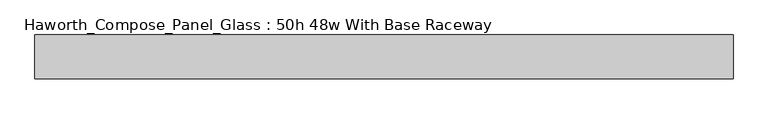
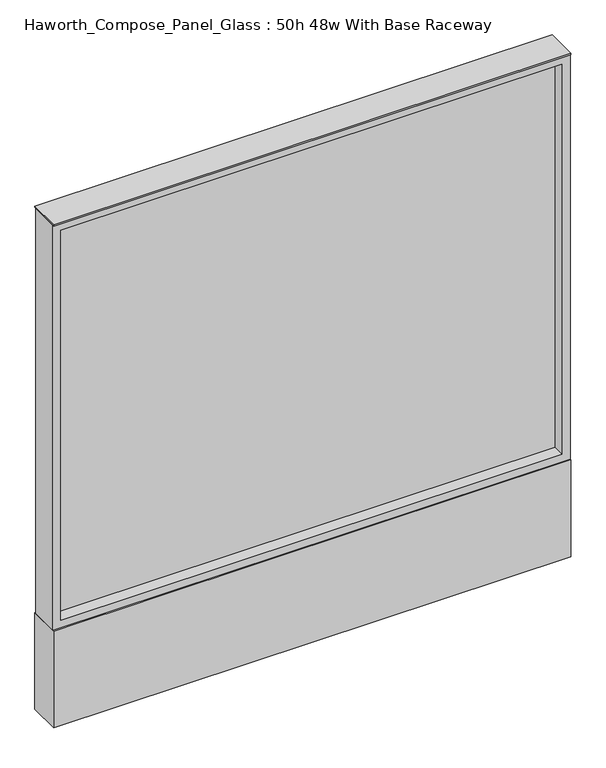
"""IFC4 building model written with IfcOpenShell, lengths in millimetres: furniture geometry, Haworth_Compose_Panel_Glass : 50h 48w With Base Raceway."""

from ifc_helpers import new_model, si_unit, point, frame, frame_2d, origin, origin_with_axes, place, context, project, spatial, polyline, circle_curve, trimmed, segment, composite_curve, outline, extrude, source, transform, mapped, element, save


def haworth_compose_panel_glass_50h_48w_with_base_raceway_af16f455(model_context):
    return source(origin(), model_context, "Body", "SweptSolid", [
        extrude(outline(composite_curve([segment(trimmed(circle_curve(frame_2d((535.8402902, 0.0)), 12.7), [point((523.1402902, 0.0))], [point((548.5402902, 0.0))], False, "CARTESIAN"), True, "CONTINUOUS"), segment(trimmed(circle_curve(frame_2d((535.8402902, 0.0)), 12.7), [point((548.5402902, 0.0))], [point((523.1402902, 0.0))], False, "CARTESIAN"), True, "CONTINUOUS")], self_intersect=False)), origin_with_axes(), (0.0, 0.0, 1.0), 12.7),
        extrude(outline(composite_curve([segment(trimmed(circle_curve(frame_2d((-530.9597098, 0.0)), 12.7), [point((-543.6597098, 0.0))], [point((-518.2597098, 0.0))], False, "CARTESIAN"), True, "CONTINUOUS"), segment(trimmed(circle_curve(frame_2d((-530.9597098, 0.0)), 12.7), [point((-518.2597098, 0.0))], [point((-543.6597098, 0.0))], False, "CARTESIAN"), True, "CONTINUOUS")], self_intersect=False)), origin_with_axes(), (0.0, 0.0, 1.0), 12.7),
        extrude(outline(polyline([(592.9902902, -6.35), (-588.1097098, -6.35), (-588.1097098, 6.35), (592.9902902, 6.35), (592.9902902, -6.35)])), frame((0.0, 0.0, 273.05), z_axis=(0.0, 0.0, 1.0), x_axis=(1.0, 0.0, 0.0)), (0.0, 0.0, 1.0), 971.55),
        extrude(outline(polyline([(1263.65, -607.1597098), (254.0, -607.1597098), (254.0, 612.0402902), (1263.65, 612.0402902), (1263.65, -607.1597098)]), holes=[polyline([(1244.6, 592.9902902), (273.05, 592.9902902), (273.05, -588.1097098), (1244.6, -588.1097098), (1244.6, 592.9902902)])]), frame((0.0, -34.925, 0.0), z_axis=(0.0, 1.0, 0.0), x_axis=(0.0, 0.0, 1.0)), (0.0, 0.0, 1.0), 69.85),
        extrude(outline(polyline([(-607.1597098, 38.1), (612.0402902, 38.1), (612.0402902, -38.1), (-607.1597098, -38.1), (-607.1597098, 38.1)])), frame((0.0, 0.0, 12.7), z_axis=(0.0, 0.0, 1.0), x_axis=(1.0, 0.0, 0.0)), (0.0, 0.0, 1.0), 241.3),
        extrude(outline(polyline([(-607.1597098, -38.1), (-607.1597098, 38.1), (612.0402902, 38.1), (612.0402902, -38.1), (-607.1597098, -38.1)])), frame((0.0, 0.0, 1263.65), z_axis=(0.0, 0.0, 1.0), x_axis=(1.0, 0.0, 0.0)), (0.0, 0.0, 1.0), 3.175),
    ])


if __name__ == "__main__":
    model = new_model("IFC4")
    model_context = context("Model", 3, world=origin())
    ifc_project = project(units=[si_unit("LENGTHUNIT", "METRE", prefix="MILLI")], contexts=[model_context])
    site = spatial("IfcSite", under=ifc_project)
    building = spatial("IfcBuilding", under=site)
    placement = place(None, origin())
    haworth_compose_panel_glass_50h_48w_with_base_raceway_shape = haworth_compose_panel_glass_50h_48w_with_base_raceway_af16f455(model_context)
    element("IfcFurniture", 1, ObjectType="Haworth_Compose_Panel_Glass : 50h 48w With Base Raceway", at=placement, inside=building, context=model_context, shape_type="MappedRepresentation", body=[
        mapped(haworth_compose_panel_glass_50h_48w_with_base_raceway_shape, transform((0.0, 0.0, 0.0), x_axis=(1.0, 0.0, 0.0), y_axis=(0.0, 1.0, 0.0), z_axis=(0.0, 0.0, 1.0))),
    ])
    save(model, "model.ifc")
